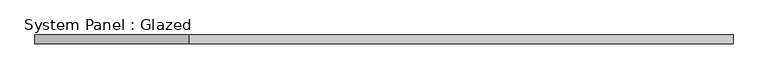
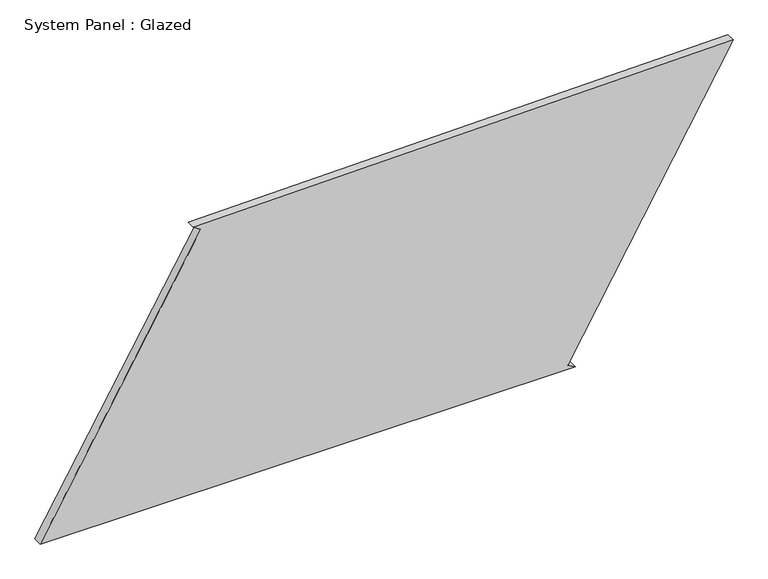
"""IFC4 building model written with IfcOpenShell, lengths in millimetres: plate geometry, System Panel : Glazed."""

from ifc_helpers import new_model, si_unit, frame, origin, place, context, project, spatial, polyline, outline, extrude, source, transform, mapped, element, save


def system_panel_glazed_49aa31ff(model_context):
    return source(origin(), model_context, "Body", "SweptSolid", [
        extrude(outline(polyline([(0.0, -978.7254925), (0.0, 533.4881492), (12.5158371, 511.8466655), (819.8090647, 978.7254925), (793.9837158, -546.2169469), (781.4221673, -524.6019637), (0.0, -978.7254925)])), frame((0.0, -49.5, 0.0), z_axis=(0.0, 1.0, 0.0), x_axis=(0.0, 0.0, 1.0)), (0.0, 0.0, 1.0), 25.0),
    ])


if __name__ == "__main__":
    model = new_model("IFC4")
    model_context = context("Model", 3, world=origin())
    ifc_project = project(units=[si_unit("LENGTHUNIT", "METRE", prefix="MILLI")], contexts=[model_context])
    site = spatial("IfcSite", under=ifc_project)
    building = spatial("IfcBuilding", under=site)
    placement = place(None, origin())
    system_panel_glazed_shape = system_panel_glazed_49aa31ff(model_context)
    element("IfcPlate", 1, ObjectType="System Panel : Glazed", at=placement, inside=building, context=model_context, shape_type="MappedRepresentation", body=[
        mapped(system_panel_glazed_shape, transform((0.0, 0.0, 0.0), x_axis=(1.0, 0.0, 0.0), y_axis=(0.0, 1.0, 0.0), z_axis=(0.0, 0.0, 1.0))),
    ])
    save(model, "model.ifc")
